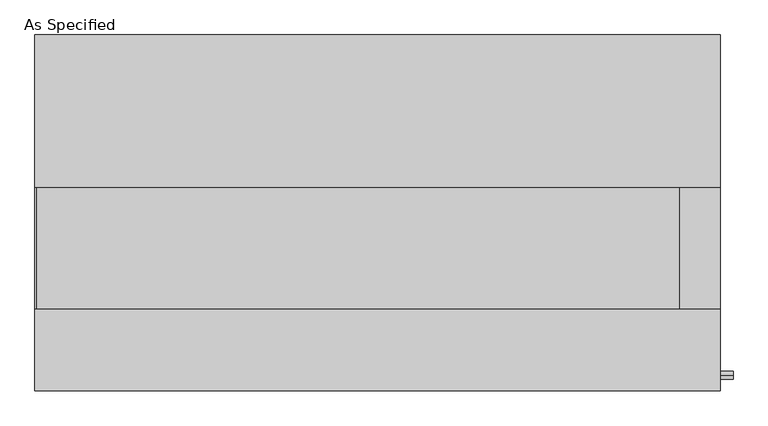
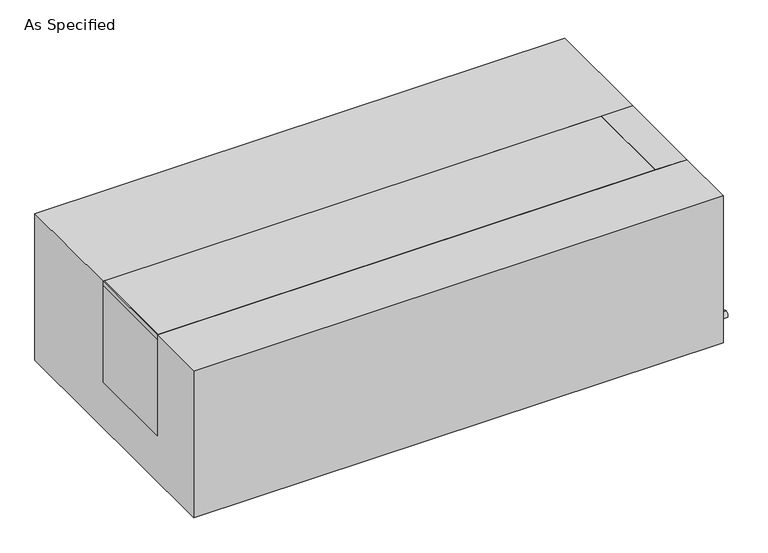
"""IFC4 building model written with IfcOpenShell, lengths in millimetres: proxy geometry, As Specified."""

from ifc_helpers import new_model, si_unit, point, frame, frame_2d, origin, place, context, project, spatial, polyline, circle_curve, trimmed, segment, composite_curve, outline, extrude, source, transform, mapped, element, save


def as_specified_9b86808f(model_context):
    return source(origin(), model_context, "Body", "SweptSolid", [
        extrude(outline(composite_curve([segment(trimmed(circle_curve(frame_2d((-407.9875, -466.725)), 10.5), [point((-407.9875, -456.225))], [point((-407.9875, -477.225))], False, "CARTESIAN"), True, "CONTINUOUS"), segment(trimmed(circle_curve(frame_2d((-407.9875, -466.725)), 10.5), [point((-407.9875, -477.225))], [point((-407.9875, -456.225))], False, "CARTESIAN"), True, "CONTINUOUS")], self_intersect=False)), frame((862.0125, 0.0, 0.0), z_axis=(1.0, 0.0, 0.0), x_axis=(0.0, 1.0, 0.0)), (0.0, 0.0, 1.0), 31.8403384),
        extrude(outline(polyline([(759.61875, -241.3), (759.61875, 63.5), (862.0125, 63.5), (862.0125, -241.3), (759.61875, -241.3)])), frame((0.0, 0.0, -373.0625), z_axis=(0.0, 0.0, 1.0), x_axis=(1.0, 0.0, 0.0)), (0.0, 0.0, 1.0), 347.6625),
        extrude(outline(polyline([(-858.04375, -241.3), (-862.0125, -241.3), (-862.0125, 63.5), (-858.04375, 63.5), (-858.04375, -241.3)])), frame((0.0, 0.0, -39.6875), z_axis=(0.0, 0.0, 1.0), x_axis=(1.0, 0.0, 0.0)), (0.0, 0.0, 1.0), 14.2875),
        extrude(outline(polyline([(759.61875, 63.5), (759.61875, -241.3), (-862.0125, -241.3), (-862.0125, 63.5), (759.61875, 63.5)])), frame((0.0, 0.0, -373.0625), z_axis=(0.0, 0.0, 1.0), x_axis=(1.0, 0.0, 0.0)), (0.0, 0.0, 1.0), 347.6625),
        extrude(outline(polyline([(447.675, -25.4), (447.675, -530.225), (-447.675, -530.225), (-447.675, -25.4), (-241.3, -25.4), (-241.3, -373.0625), (63.5, -373.0625), (63.5, -25.4), (447.675, -25.4)])), frame((-862.0125, 0.0, 0.0), z_axis=(1.0, 0.0, 0.0), x_axis=(0.0, 1.0, 0.0)), (0.0, 0.0, 1.0), 1724.025),
    ])


if __name__ == "__main__":
    model = new_model("IFC4")
    model_context = context("Model", 3, world=origin())
    ifc_project = project(units=[si_unit("LENGTHUNIT", "METRE", prefix="MILLI")], contexts=[model_context])
    site = spatial("IfcSite", under=ifc_project)
    building = spatial("IfcBuilding", under=site)
    placement = place(None, origin())
    as_specified_shape = as_specified_9b86808f(model_context)
    element("IfcBuildingElementProxy", 1, Name="As Specified", ObjectType="As Specified", at=placement, inside=building, context=model_context, shape_type="MappedRepresentation", body=[
        mapped(as_specified_shape, transform((0.0, 0.0, 0.0), x_axis=(1.0, 0.0, 0.0), y_axis=(0.0, 1.0, 0.0), z_axis=(0.0, 0.0, 1.0))),
    ])
    save(model, "model.ifc")
